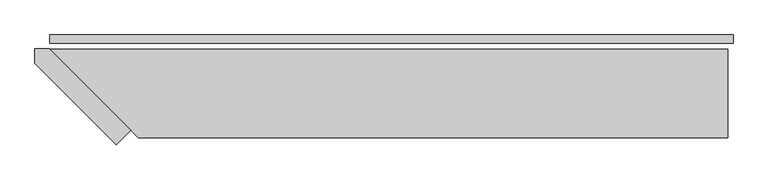
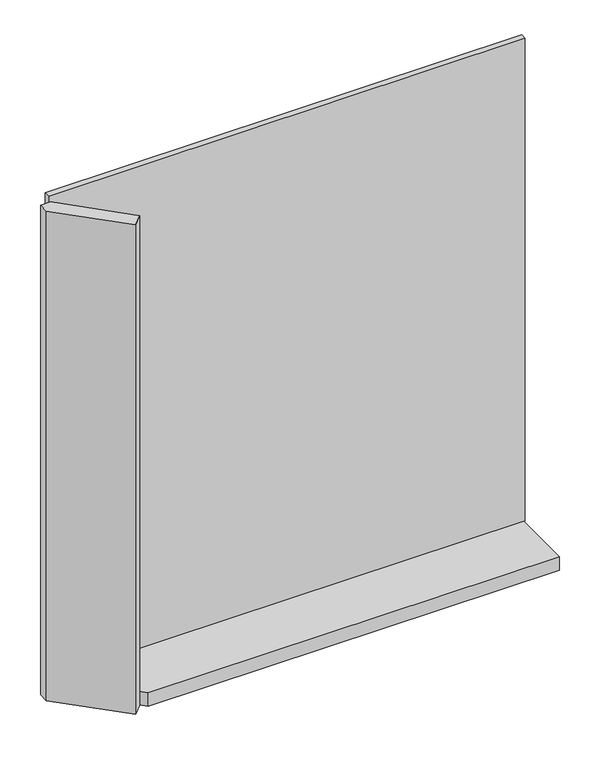
"""IFC4 building model written with IfcOpenShell, lengths in millimetres: plate geometry."""

from ifc_helpers import new_model, si_unit, frame, origin, origin_with_axes, place, context, project, spatial, polyline, outline, extrude, source, transform, mapped, element, save


def plate_231054c4(model_context):
    return source(origin(), model_context, "Body", "SweptSolid", [
        extrude(outline(polyline([(1000.5, 0.0), (1000.5, -25.0), (-1000.5, -25.0), (-1000.5, 0.0), (1000.5, 0.0)])), origin_with_axes(), (0.0, 0.0, 1.0), 2142.0),
        extrude(outline(polyline([(-763.5, -278.5735931), (-805.9264069, -321.0), (-1043.5, -83.4264069), (-1043.5, -41.0), (-1001.0735931, -41.0), (-763.5, -278.5735931)])), frame((0.0, 0.0, -45.0), z_axis=(0.0, 0.0, 1.0), x_axis=(1.0, 0.0, 0.0)), (0.0, 0.0, 1.0), 2172.0),
        extrude(outline(polyline([(985.5, -301.0), (-741.0735931, -301.0), (-1001.0735931, -41.0), (985.5, -41.0), (985.5, -301.0)])), frame((0.0, 0.0, -45.0), z_axis=(0.0, 0.0, 1.0), x_axis=(1.0, 0.0, 0.0)), (0.0, 0.0, 1.0), 60.0),
    ])


if __name__ == "__main__":
    model = new_model("IFC4")
    model_context = context("Model", 3, world=origin())
    ifc_project = project(units=[si_unit("LENGTHUNIT", "METRE", prefix="MILLI")], contexts=[model_context])
    site = spatial("IfcSite", under=ifc_project)
    building = spatial("IfcBuilding", under=site)
    placement = place(None, origin())
    plate_shape = plate_231054c4(model_context)
    element("IfcPlate", 1, at=placement, inside=building, context=model_context, shape_type="MappedRepresentation", body=[
        mapped(plate_shape, transform((0.0, 0.0, 0.0), x_axis=(1.0, 0.0, 0.0), y_axis=(0.0, 1.0, 0.0), z_axis=(0.0, 0.0, 1.0))),
    ])
    save(model, "model.ifc")
